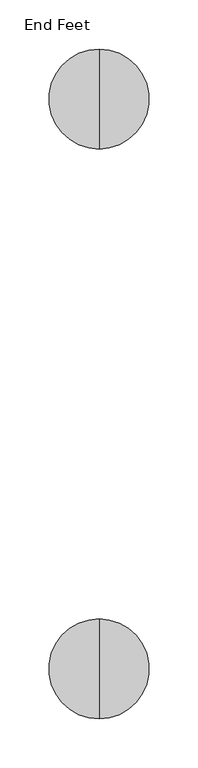
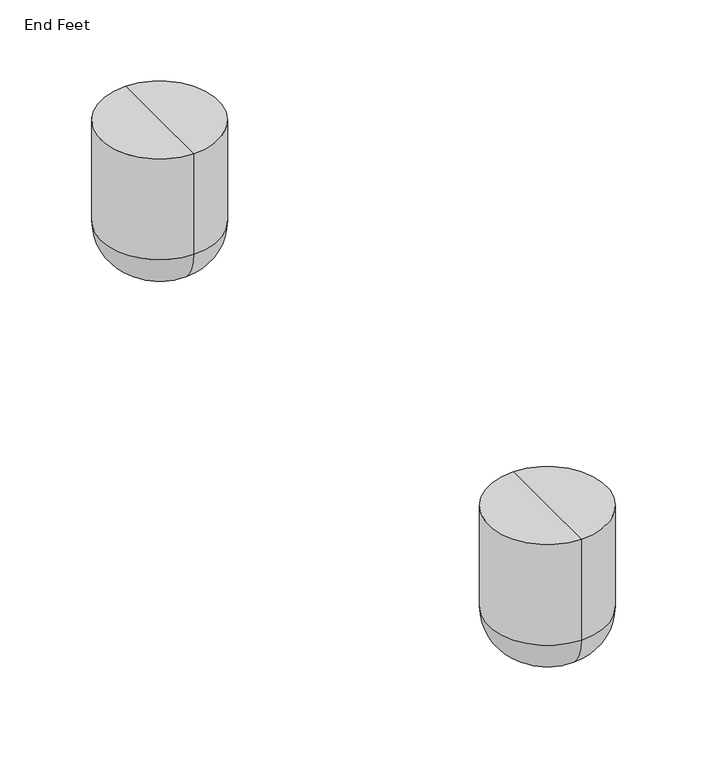
"""IFC4 building model written with IfcOpenShell, lengths in millimetres: furniture geometry, End Feet."""

from ifc_helpers import new_model, si_unit, point, frame, origin, place, context, project, spatial, circle_curve, ellipse_curve, trimmed, source, transform, mapped, element, save
from ifc_brep_helpers import plane_surface, cylinder_surface, revolved_surface, advanced_brep


def end_feet_a7b0973b(model_context):
    return source(origin(), model_context, "Body", "AdvancedBrep", [
        advanced_brep(
        [(1.939512, -747.4877706, 130.0907271), (1.939512, -696.5184037, 130.0907271), (1.939512, -645.5490367, 130.0907271), (1.939512, -747.4877706, 38.1), (1.939512, -645.5490367, 38.1), (1.939512, -709.3877706, 0.0), (1.939512, -683.6490367, 0.0), (1.939512, -696.5184037, 0.0)],
        [
            (0, 1),
            (1, 2),
            (2, 0, circle_curve(frame((1.939512, -696.5184037, 130.0907271), z_axis=(0.0, 0.0, 1.0), x_axis=(0.0, 1.0, 0.0)), 50.969367)),
            (0, 2, circle_curve(frame((1.939512, -696.5184037, 130.0907271), z_axis=(0.0, 0.0, 1.0), x_axis=(0.0, 1.0, 0.0)), 50.969367)),
            (3, 0),
            (2, 4),
            (4, 3, circle_curve(frame((1.939512, -696.5184037, 38.1), z_axis=(0.0, 0.0, 1.0), x_axis=(0.0, 1.0, 0.0)), 50.969367)),
            (3, 4, circle_curve(frame((1.939512, -696.5184037, 38.1), z_axis=(0.0, 0.0, 1.0), x_axis=(0.0, 1.0, 0.0)), 50.969367)),
            (5, 3, circle_curve(frame((1.939512, -709.3877706, 38.1), z_axis=(-1.0, 0.0, 0.0), x_axis=(0.0, -1.0, 0.0)), 38.1)),
            (4, 6, circle_curve(frame((1.939512, -683.6490367, 38.1), z_axis=(-1.0, 0.0, 0.0), x_axis=(0.0, 1.0, 0.0)), 38.1)),
            (6, 5, circle_curve(frame((1.939512, -696.5184037, 0.0), z_axis=(0.0, 0.0, 1.0), x_axis=(0.0, 1.0, 0.0)), 12.869367)),
            (5, 6, circle_curve(frame((1.939512, -696.5184037, 0.0), z_axis=(0.0, 0.0, 1.0), x_axis=(0.0, 1.0, 0.0)), 12.869367)),
            (7, 5),
            (6, 7),
        ],
        [
            plane_surface(frame((1.939512, -696.5184037, 130.0907271), z_axis=(0.0, 0.0, 1.0), x_axis=(0.0, 1.0, 0.0))),
            cylinder_surface(frame((1.939512, -696.5184037, 130.0907271), z_axis=(0.0, 0.0, -1.0), x_axis=(0.0, 1.0, 0.0)), 50.969367),
            revolved_surface(trimmed(ellipse_curve(frame((1.939512, -683.6490367, 38.1), z_axis=(-1.0, 0.0, 0.0), x_axis=(0.0, 1.0, 0.0)), 38.1, 38.1), [point((1.939512, -645.5490367, 38.1))], [point((1.939512, -683.6490367, 0.0))], True, "CARTESIAN"), (1.939512, -696.5184037, 130.0907271), (0.0, 0.0, -1.0)),
            plane_surface(frame((1.939512, -696.5184037, 0.0), z_axis=(0.0, 0.0, -1.0), x_axis=(0.0, 1.0, 0.0))),
        ],
        [
            (0, [[1, 2, 3]]),
            (0, [[-2, -1, 4]]),
            (1, [[5, -3, 6, 7]]),
            (1, [[-6, -4, -5, 8]]),
            (2, [[9, -7, 10, 11]]),
            (2, [[-10, -8, -9, 12]]),
            (3, [[13, -11, 14]]),
            (3, [[-14, -12, -13]]),
        ],
    ),
        advanced_brep(
        [(1.939512, -166.4627706, 130.0907271), (1.939512, -115.4934037, 130.0907271), (1.939512, -64.5240367, 130.0907271), (1.939512, -166.4627706, 38.1), (1.939512, -64.5240367, 38.1), (1.939512, -128.3627706, 0.0), (1.939512, -102.6240367, 0.0), (1.939512, -115.4934037, 0.0)],
        [
            (0, 1),
            (1, 2),
            (2, 0, circle_curve(frame((1.939512, -115.4934037, 130.0907271), z_axis=(0.0, 0.0, 1.0), x_axis=(0.0, 1.0, 0.0)), 50.969367)),
            (0, 2, circle_curve(frame((1.939512, -115.4934037, 130.0907271), z_axis=(0.0, 0.0, 1.0), x_axis=(0.0, 1.0, 0.0)), 50.969367)),
            (3, 0),
            (2, 4),
            (4, 3, circle_curve(frame((1.939512, -115.4934037, 38.1), z_axis=(0.0, 0.0, 1.0), x_axis=(0.0, 1.0, 0.0)), 50.969367)),
            (3, 4, circle_curve(frame((1.939512, -115.4934037, 38.1), z_axis=(0.0, 0.0, 1.0), x_axis=(0.0, 1.0, 0.0)), 50.969367)),
            (5, 3, circle_curve(frame((1.939512, -128.3627706, 38.1), z_axis=(-1.0, 0.0, 0.0), x_axis=(0.0, -1.0, 0.0)), 38.1)),
            (4, 6, circle_curve(frame((1.939512, -102.6240367, 38.1), z_axis=(-1.0, 0.0, 0.0), x_axis=(0.0, 1.0, 0.0)), 38.1)),
            (6, 5, circle_curve(frame((1.939512, -115.4934037, 0.0), z_axis=(0.0, 0.0, 1.0), x_axis=(0.0, 1.0, 0.0)), 12.869367)),
            (5, 6, circle_curve(frame((1.939512, -115.4934037, 0.0), z_axis=(0.0, 0.0, 1.0), x_axis=(0.0, 1.0, 0.0)), 12.869367)),
            (7, 5),
            (6, 7),
        ],
        [
            plane_surface(frame((1.939512, -115.4934037, 130.0907271), z_axis=(0.0, 0.0, 1.0), x_axis=(0.0, 1.0, 0.0))),
            cylinder_surface(frame((1.939512, -115.4934037, 130.0907271), z_axis=(0.0, 0.0, -1.0), x_axis=(0.0, 1.0, 0.0)), 50.969367),
            revolved_surface(trimmed(ellipse_curve(frame((1.939512, -102.6240367, 38.1), z_axis=(-1.0, 0.0, 0.0), x_axis=(0.0, 1.0, 0.0)), 38.1, 38.1), [point((1.939512, -64.5240367, 38.1))], [point((1.939512, -102.6240367, 0.0))], True, "CARTESIAN"), (1.939512, -115.4934037, 130.0907271), (0.0, 0.0, -1.0)),
            plane_surface(frame((1.939512, -115.4934037, 0.0), z_axis=(0.0, 0.0, -1.0), x_axis=(0.0, 1.0, 0.0))),
        ],
        [
            (0, [[1, 2, 3]]),
            (0, [[-2, -1, 4]]),
            (1, [[5, -3, 6, 7]]),
            (1, [[-6, -4, -5, 8]]),
            (2, [[9, -7, 10, 11]]),
            (2, [[-10, -8, -9, 12]]),
            (3, [[13, -11, 14]]),
            (3, [[-14, -12, -13]]),
        ],
    ),
    ])


if __name__ == "__main__":
    model = new_model("IFC4")
    model_context = context("Model", 3, world=origin())
    ifc_project = project(units=[si_unit("LENGTHUNIT", "METRE", prefix="MILLI")], contexts=[model_context])
    site = spatial("IfcSite", under=ifc_project)
    building = spatial("IfcBuilding", under=site)
    placement = place(None, origin())
    end_feet_shape = end_feet_a7b0973b(model_context)
    element("IfcFurniture", 1, ObjectType="End Feet", at=placement, inside=building, context=model_context, shape_type="MappedRepresentation", body=[
        mapped(end_feet_shape, transform((0.0, 0.0, 0.0), x_axis=(1.0, 0.0, 0.0), y_axis=(0.0, 1.0, 0.0), z_axis=(0.0, 0.0, 1.0))),
    ])
    save(model, "model.ifc")
